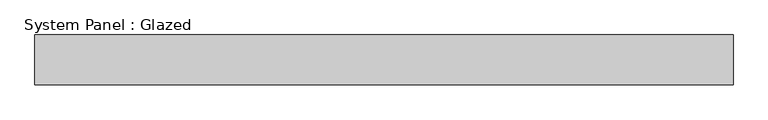
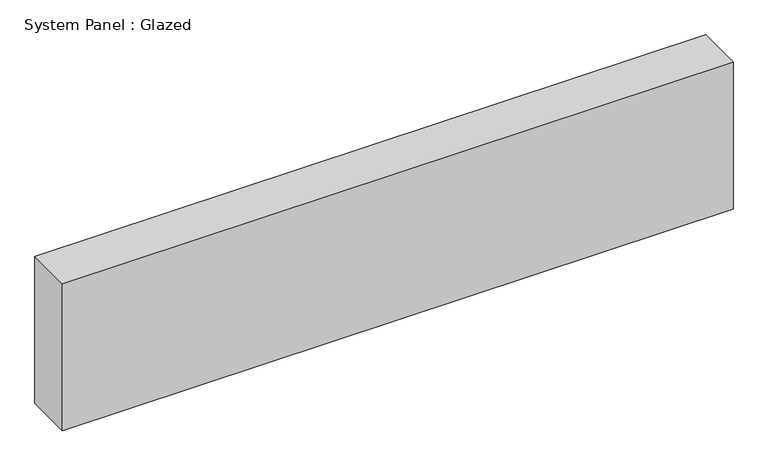
"""IFC4 building model written with IfcOpenShell, lengths in millimetres: plate geometry, System Panel : Glazed."""

import ifcopenshell
import ifcopenshell.guid

model = None  # the IFC model being written
_history = None  # IfcOwnerHistory: only IFC2X3 demands one
_inside = {}  # id of a spatial element -> (the spatial element, [elements in it])
_under = {}  # id of a project, library or spatial element -> (it, [spatial elements below it])
_declared = {}  # id of a project -> (the project, [libraries it declares])
_typed = {}  # id of a type object -> (the type object, [elements of that type])
_made_of = {}  # id of a material, layer set ... -> (it, [elements and type objects made of it])


def new_model(schema):
    """Start an empty IFC model of exactly this schema.

    Asked for "IFC4X3", IfcOpenShell would pick the latest addendum, in which some entities
    have other attributes; the version numbers below select the first issue.
    IFC2X3 requires an IfcOwnerHistory on every rooted entity: one is made here for all.
    """
    global model, _history
    if schema == "IFC4X3":
        model = ifcopenshell.file(schema_version=(4, 3, 0, 0))
    else:
        model = ifcopenshell.file(schema=schema)
    _inside.clear()
    _under.clear()
    _declared.clear()
    _typed.clear()
    _made_of.clear()
    _history = None
    if model.schema == "IFC2X3":
        org = make("IfcOrganization", Name="unknown")
        user = make(
            "IfcPersonAndOrganization",
            ThePerson=make("IfcPerson", FamilyName="unknown"),
            TheOrganization=org,
        )
        app = make(
            "IfcApplication",
            ApplicationDeveloper=org,
            Version="unknown",
            ApplicationFullName="unknown",
            ApplicationIdentifier="unknown",
        )
        _history = make(
            "IfcOwnerHistory",
            OwningUser=user,
            OwningApplication=app,
            ChangeAction="ADDED",
            CreationDate=0,
        )
    return model


def make(cls, **values):
    """One entity of the class cls with the attributes given. An attribute that is None is left unset."""
    return model.create_entity(
        cls, **{name: value for name, value in values.items() if value is not None}
    )


def rooted(cls, **values):
    """An entity with a GlobalId (a new one), such as an element, a storey or a relation."""
    return make(cls, GlobalId=ifcopenshell.guid.new(), OwnerHistory=_history, **values)


def si_unit(unit_type, name, prefix=None):
    """IfcSIUnit, for example si_unit("LENGTHUNIT", "METRE", prefix="MILLI")."""
    return make("IfcSIUnit", UnitType=unit_type, Prefix=prefix, Name=name)


def assignment(units):
    """IfcUnitAssignment: the units of a project."""
    return None if units is None else make("IfcUnitAssignment", Units=units)


def point(xyz):
    """IfcCartesianPoint."""
    return None if xyz is None else make("IfcCartesianPoint", Coordinates=xyz)


def direction(xyz):
    """IfcDirection."""
    return None if xyz is None else make("IfcDirection", DirectionRatios=xyz)


def frame(location, z_axis=None, x_axis=None):
    """IfcAxis2Placement3D, a coordinate frame: its origin and axes. An axis left out is left unset."""
    return make(
        "IfcAxis2Placement3D",
        Location=point(location),
        Axis=direction(z_axis),
        RefDirection=direction(x_axis),
    )


def origin():
    """The frame at (0, 0, 0) with its axes left unset."""
    return frame((0.0, 0.0, 0.0))


def origin_with_axes():
    """The frame at (0, 0, 0) with the z axis (0, 0, 1) and the x axis (1, 0, 0) written out."""
    return frame((0.0, 0.0, 0.0), z_axis=(0.0, 0.0, 1.0), x_axis=(1.0, 0.0, 0.0))


def place(relative_to, where):
    """IfcLocalPlacement: puts the frame where relative to a parent placement (None: the world)."""
    return make(
        "IfcLocalPlacement", PlacementRelTo=relative_to, RelativePlacement=where
    )


def context(
    kind, dimensions, precision=None, world=None, true_north=None, identifier=None
):
    """IfcGeometricRepresentationContext, for example the 3D "Model" context."""
    return make(
        "IfcGeometricRepresentationContext",
        ContextIdentifier=identifier,
        ContextType=kind,
        CoordinateSpaceDimension=dimensions,
        Precision=precision,
        WorldCoordinateSystem=world,
        TrueNorth=true_north,
    )


def project(units=None, contexts=None):
    """IfcProject with its units and contexts."""
    return rooted(
        "IfcProject",
        Name="project",
        RepresentationContexts=contexts,
        UnitsInContext=assignment(units),
    )


def spatial(cls, under=None, at=None, **own):
    """A site, building, storey or space (cls), placed at a placement, below another one or the project."""
    s = rooted(cls, ObjectPlacement=at, **own)
    if under is not None:
        _under.setdefault(under.id(), (under, []))[1].append(s)
    return s


def polyline(points):
    """IfcPolyline through the points."""
    return make("IfcPolyline", Points=[point(p) for p in points])


def outline(outer, holes=None, kind="AREA"):
    """IfcArbitraryClosedProfileDef: a profile drawn as a closed curve; with holes, ...WithVoids."""
    if holes is None:
        return make("IfcArbitraryClosedProfileDef", ProfileType=kind, OuterCurve=outer)
    return make(
        "IfcArbitraryProfileDefWithVoids",
        ProfileType=kind,
        OuterCurve=outer,
        InnerCurves=holes,
    )


def extrude(swept, where, along, depth):
    """IfcExtrudedAreaSolid: the profile swept, set in the frame where, extruded along a direction by depth."""
    return make(
        "IfcExtrudedAreaSolid",
        SweptArea=swept,
        Position=where,
        ExtrudedDirection=direction(along),
        Depth=depth,
    )


def shape(context_of_items, identifier, shape_type, items):
    """IfcShapeRepresentation: the items that make up one representation, for example the "Body"."""
    return make(
        "IfcShapeRepresentation",
        ContextOfItems=context_of_items,
        RepresentationIdentifier=identifier,
        RepresentationType=shape_type,
        Items=items,
    )


def source(mapping_origin, context_of_items, identifier, shape_type, items):
    """IfcRepresentationMap: a shape defined once, which mapped items show again and again."""
    return make(
        "IfcRepresentationMap",
        MappingOrigin=mapping_origin,
        MappedRepresentation=shape(context_of_items, identifier, shape_type, items),
    )


def transform(
    local_origin,
    x_axis=None,
    y_axis=None,
    z_axis=None,
    scale=None,
    scale2=None,
    scale3=None,
    uniform=True,
):
    """IfcCartesianTransformationOperator3D, or its non-uniform kind. x_axis, y_axis, z_axis: its Axis1, 2, 3."""
    if uniform:
        return make(
            "IfcCartesianTransformationOperator3D",
            Axis1=direction(x_axis),
            Axis2=direction(y_axis),
            LocalOrigin=point(local_origin),
            Scale=scale,
            Axis3=direction(z_axis),
        )
    return make(
        "IfcCartesianTransformationOperator3DnonUniform",
        Axis1=direction(x_axis),
        Axis2=direction(y_axis),
        LocalOrigin=point(local_origin),
        Scale=scale,
        Axis3=direction(z_axis),
        Scale2=scale2,
        Scale3=scale3,
    )


def mapped(mapping_source, mapping_target):
    """IfcMappedItem: shows the shape of a source again, moved by a transform."""
    return make(
        "IfcMappedItem", MappingSource=mapping_source, MappingTarget=mapping_target
    )


def made_of(thing, what):
    """Note that an element or type object is made of a material, layer set ...; save() writes the relation."""
    if what is not None:
        _made_of.setdefault(what.id(), (what, []))[1].append(thing)
    return thing


def element(
    cls,
    number,
    at=None,
    inside=None,
    cuts=None,
    type_object=None,
    material=None,
    context=None,
    identifier="Body",
    shape_type=None,
    held_by="IfcProductDefinitionShape",
    body=None,
    shapes=None,
    **own,
):
    """One element of the class cls, such as IfcWall. Its Tag is "e" and its number.

    at: its placement. inside: the storey or other place that contains it. cuts: it is an
    opening in that element (IfcRelVoidsElement). A single representation is given by context,
    identifier, shape_type and body (its items); several are given by shapes. held_by: the class
    of the entity that holds the representations. save() writes the other relations.
    """
    e = rooted(cls, Tag="e%d" % number, ObjectPlacement=at, **own)
    if body is not None:
        shapes = [shape(context, identifier, shape_type, body)]
    if shapes is not None:
        e.Representation = make(held_by, Representations=shapes)
    if inside is not None:
        _inside.setdefault(inside.id(), (inside, []))[1].append(e)
    if cuts is not None:
        rooted(
            "IfcRelVoidsElement", RelatingBuildingElement=cuts, RelatedOpeningElement=e
        )
    if type_object is not None:
        _typed.setdefault(type_object.id(), (type_object, []))[1].append(e)
    return made_of(e, material)


def aggregate(whole, parts):
    """IfcRelAggregates: a whole, such as a stair, and the parts it consists of."""
    return rooted("IfcRelAggregates", RelatingObject=whole, RelatedObjects=parts)


def save(model, path):
    """Write the relations noted so far, then the file.

    IfcRelAggregates (storeys below a building ...), IfcRelContainedInSpatialStructure (elements
    in a storey), IfcRelDefinesByType, IfcRelAssociatesMaterial and IfcRelDeclares: one each for
    every whole, place, type object, material and project.
    """
    for whole, parts in _under.values():
        aggregate(whole, parts)
    for where, things in _inside.values():
        rooted(
            "IfcRelContainedInSpatialStructure",
            RelatedElements=things,
            RelatingStructure=where,
        )
    for kind, things in _typed.values():
        rooted("IfcRelDefinesByType", RelatedObjects=things, RelatingType=kind)
    for what, things in _made_of.values():
        rooted("IfcRelAssociatesMaterial", RelatedObjects=things, RelatingMaterial=what)
    for by, libraries in _declared.values():
        rooted("IfcRelDeclares", RelatingContext=by, RelatedDefinitions=libraries)
    model.write(path)


def system_panel_glazed_1119df32(model_context):
    return source(origin(), model_context, "Body", "SweptSolid", [
        extrude(outline(polyline([(701.6666667, 50.0), (-701.6666667, 50.0), (-701.6666667, 150.0), (701.6666667, 150.0), (701.6666667, 50.0)])), origin_with_axes(), (0.0, 0.0, 1.0), 325.0),
    ])


if __name__ == "__main__":
    model = new_model("IFC4")
    model_context = context("Model", 3, world=origin())
    ifc_project = project(units=[si_unit("LENGTHUNIT", "METRE", prefix="MILLI")], contexts=[model_context])
    site = spatial("IfcSite", under=ifc_project)
    building = spatial("IfcBuilding", under=site)
    placement = place(None, origin())
    system_panel_glazed_shape = system_panel_glazed_1119df32(model_context)
    element("IfcPlate", 1, ObjectType="System Panel : Glazed", at=placement, inside=building, context=model_context, shape_type="MappedRepresentation", body=[
        mapped(system_panel_glazed_shape, transform((0.0, 0.0, 0.0), x_axis=(1.0, 0.0, 0.0), y_axis=(0.0, 1.0, 0.0), z_axis=(0.0, 0.0, 1.0))),
    ])
    save(model, "model.ifc")
